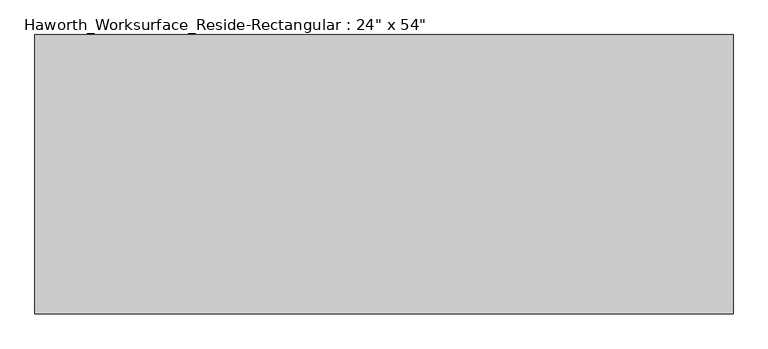
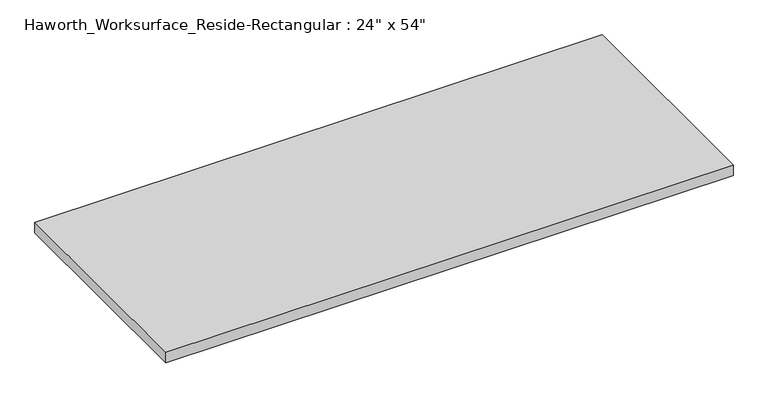
"""IFC4 building model written with IfcOpenShell, lengths in millimetres: furniture geometry."""

from ifc_helpers import new_model, si_unit, frame, origin, place, context, project, spatial, polyline, outline, extrude, source, transform, mapped, element, save


def furniture_997fac58(model_context):
    return source(origin(), model_context, "Body", "SweptSolid", [
        extrude(outline(polyline([(762.0, -304.8), (-762.0, -304.8), (-762.0, 304.8), (762.0, 304.8), (762.0, -304.8)])), frame((0.0, 0.0, 706.4375), z_axis=(0.0, 0.0, 1.0), x_axis=(1.0, 0.0, 0.0)), (0.0, 0.0, 1.0), 30.1625),
    ])


if __name__ == "__main__":
    model = new_model("IFC4")
    model_context = context("Model", 3, world=origin())
    ifc_project = project(units=[si_unit("LENGTHUNIT", "METRE", prefix="MILLI")], contexts=[model_context])
    site = spatial("IfcSite", under=ifc_project)
    building = spatial("IfcBuilding", under=site)
    placement = place(None, origin())
    furniture_shape = furniture_997fac58(model_context)
    element("IfcFurniture", 1, ObjectType="Haworth_Worksurface_Reside-Rectangular : 24\" x 54\"", at=placement, inside=building, context=model_context, shape_type="MappedRepresentation", body=[
        mapped(furniture_shape, transform((0.0, 0.0, 0.0), x_axis=(1.0, 0.0, 0.0), y_axis=(0.0, 1.0, 0.0), z_axis=(0.0, 0.0, 1.0))),
    ])
    save(model, "model.ifc")
